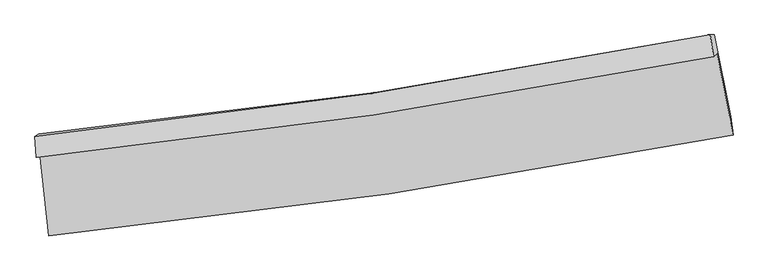
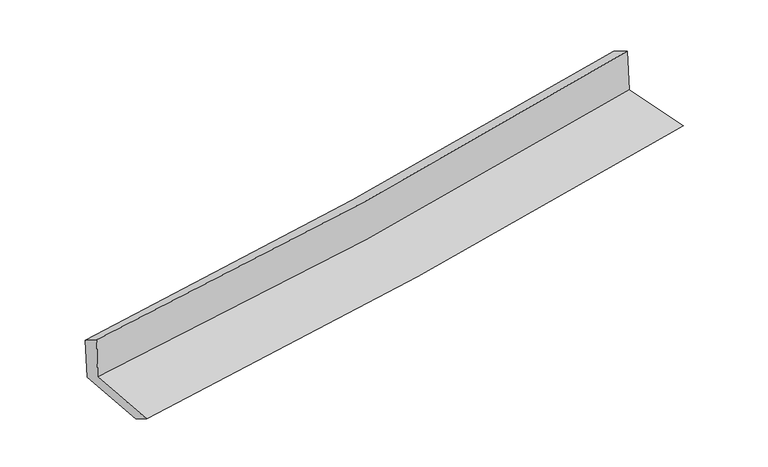
"""IFC4 building model written with IfcOpenShell, lengths in millimetres: proxy geometry."""

from ifc_helpers import new_model, si_unit, frame, origin, place, context, project, spatial, source, transform, mapped, element, save
from ifc_brep_helpers import plane_surface, spline_curve, spline_surface, advanced_brep


def generic_models_df8eece1(model_context):
    return source(origin(), model_context, "Body", "AdvancedBrep", [
        advanced_brep(
        [(-2773.9610975, -1878.3580066, 1656.3863933), (-2699.9349048, -2555.8247555, 1622.5903161), (2865.7471375, -1734.0758921, 2114.4933387), (2736.2944355, -1069.6289923, 2117.3404396), (-2803.3124139, -1915.2595267, 2061.7975533), (2706.4120217, -1093.7624366, 2530.2088525), (-2812.8623326, -1743.2092382, 1957.5395373), (2680.3775536, -916.7263724, 2429.9813086), (-2782.2499605, -1725.6295158, 1561.5364926), (2714.4357028, -917.1737033, 2024.3307873), (-2709.2217815, -2393.9627256, 1528.1960507), (2845.071603, -1583.5665894, 2011.8739722)],
        [
            (0, 1),
            (1, 2, spline_curve(3, [(-2699.9349048, -2555.8247555, 1622.5903161), (-1775.137225345, -2462.810111128, 1705.493297887), (-853.013652473, -2348.619093054, 1787.58109546), (1002.310087614, -2075.466141204, 1951.578154195), (1935.413862042, -1915.740871748, 2033.45803098), (2865.7471375, -1734.0758921, 2114.4933387)], [4, 2, 4], [0.0, 9.13728009295859, 18.43778618502341])),
            (2, 3),
            (3, 0, spline_curve(3, [(2736.2944355, -1069.6289923, 2117.3404396), (1817.434416266, -1252.4333878, 2032.704287798), (894.717502344, -1411.619039383, 1951.664875285), (-942.168532684, -1680.373623536, 1798.138666053), (-1856.203463316, -1790.7643104, 1725.526729494), (-2773.9610975, -1878.3580066, 1656.3863933)], [4, 2, 4], [0.0, 9.300506092064818, 18.43778618502341])),
            (4, 0),
            (3, 5),
            (5, 4, spline_curve(3, [(2706.4120217, -1093.7624366, 2530.2088525), (1787.385419108, -1274.297508676, 2441.455358886), (864.630996185, -1433.441471541, 2357.743010998), (-972.073515514, -1706.529586108, 2201.7813051), (-1885.893904475, -1821.217986199, 2129.356553074), (-2803.3124139, -1915.2595267, 2061.7975533)], [4, 2, 4], [0.0, 9.253261666896357, 18.344126485103033])),
            (6, 4),
            (5, 7),
            (7, 6, spline_curve(3, [(2680.3775536, -916.7263724, 2429.9813086), (1763.516467168, -1096.518304196, 2349.522918579), (843.233359315, -1255.716856432, 2269.579559455), (-987.965663228, -1530.49465122, 2112.116888187), (-1898.762517571, -1646.790387131, 2034.579656794), (-2812.8623326, -1743.2092382, 1957.5395373)], [4, 2, 4], [0.0, 9.241860836702914, 18.321524911881355])),
            (8, 6),
            (7, 9),
            (9, 8, spline_curve(3, [(2714.4357028, -917.1737033, 2024.3307873), (1797.163986495, -1095.466803902, 1942.885879029), (876.385126833, -1252.393604839, 1863.271881498), (-955.965449473, -1521.135490101, 1709.070818187), (-1867.415144285, -1633.693959835, 1634.420050988), (-2782.2499605, -1725.6295158, 1561.5364926)], [4, 2, 4], [0.0, 9.229206443842203, 18.296438213635316])),
            (10, 8),
            (9, 11),
            (11, 10, spline_curve(3, [(2845.071603, -1583.5665894, 2011.8739722), (1920.091841271, -1779.900992066, 1921.182895575), (990.607059834, -1945.933155462, 1835.215489392), (-860.980809205, -2215.01091168, 1674.153863668), (-1782.927155813, -2319.110794034, 1598.895296037), (-2709.2217815, -2393.9627256, 1528.1960507)], [4, 2, 4], [0.0, 9.27926479179358, 18.395676374136116])),
            (1, 10),
            (11, 2),
        ],
        [
            spline_surface(3, 3, [[(-2773.9610975, -1878.3580066, 1656.3863933), (-1856.203463337, -1790.764310262, 1725.526729581), (-942.168532728, -1680.373623581, 1798.138665965), (894.717502389, -1411.619039337, 1951.664875375), (1817.434416117, -1252.433387915, 2032.704287755), (2736.2944355, -1069.6289923, 2117.3404396)], [(-2749.285699934, -2104.180256212, 1645.121034228), (-1829.181384022, -2014.779577192, 1718.848919042), (-912.450239251, -1903.122113376, 1794.619475782), (930.581697441, -1632.901406667, 1951.635968323), (1856.760898036, -1473.535882485, 2032.955535485), (2779.44533615, -1291.111292227, 2116.391405941)], [(-2724.610302366, -2330.002505888, 1633.855675172), (-1802.159304705, -2238.794844186, 1712.171108519), (-882.731945828, -2125.870603155, 1791.100285609), (966.445892439, -1854.183773981, 1951.607061282), (1896.087380004, -1694.638377075, 2033.206783292), (2822.59623685, -1512.593592173, 2115.442372359)], [(-2699.9349048, -2555.8247555, 1622.5903161), (-1775.13722539, -2462.810111116, 1705.49329798), (-853.013652351, -2348.61909295, 1787.581095426), (1002.310087491, -2075.46614131, 1951.57815423), (1935.413861922, -1915.740871645, 2033.458031022), (2865.7471375, -1734.0758921, 2114.4933387)]], [4, 4], [4, 2, 4], [0.0, 2.208917269631879], [0.0, 9.13728009295859, 18.43778618502341]),
            spline_surface(3, 3, [[(-2803.3124139, -1915.2595267, 2061.7975533), (-1885.893904601, -1821.217986298, 2129.356553084), (-972.073515586, -1706.529586033, 2201.781305084), (864.630996259, -1433.441471618, 2357.743011015), (1787.385419114, -1274.297508564, 2441.455358764), (2706.4120217, -1093.7624366, 2530.2088525)], [(-2793.528641749, -1902.95902, 1926.660499971), (-1875.997090828, -1811.066760953, 1994.746611921), (-962.10518798, -1697.81093189, 2067.233758707), (874.659831623, -1426.167327532, 2222.383632464), (1797.401751465, -1267.009468373, 2305.205001775), (2716.372826317, -1085.717955192, 2392.586048214)], [(-2783.744869651, -1890.6585133, 1791.523446629), (-1866.100277109, -1800.915535607, 1860.136670745), (-952.136860334, -1689.092277724, 1932.686212342), (884.688667025, -1418.893183423, 2087.024253926), (1807.418083766, -1259.721428106, 2168.954644745), (2726.333630883, -1077.673473708, 2254.963243886)], [(-2773.9610975, -1878.3580066, 1656.3863933), (-1856.203463337, -1790.764310262, 1725.526729581), (-942.168532728, -1680.373623581, 1798.138665965), (894.717502389, -1411.619039337, 1951.664875375), (1817.434416117, -1252.433387915, 2032.704287755), (2736.2944355, -1069.6289923, 2117.3404396)]], [4, 4], [4, 2, 4], [0.0, 1.3343106423327475], [0.0, 9.090864818206676, 18.344126485103033]),
            spline_surface(3, 3, [[(-2812.8623326, -1743.2092382, 1957.5395373), (-1898.762517569, -1646.790387248, 2034.579656889), (-987.965663241, -1530.494651121, 2112.116888197), (843.233359329, -1255.716856532, 2269.579559445), (1763.516467027, -1096.518304048, 2349.522918573), (2680.3775536, -916.7263724, 2429.9813086)], [(-2809.679026364, -1800.559334391, 1992.292209311), (-1894.47297991, -1704.932920289, 2066.171955632), (-982.66828068, -1589.172962736, 2142.005027174), (850.365904982, -1314.958394871, 2298.96737665), (1771.472784371, -1155.778038882, 2380.167065308), (2689.055709615, -975.738393795, 2463.390489904)], [(-2806.495720136, -1857.909430509, 2027.044881289), (-1890.18344226, -1763.075453257, 2097.764254341), (-977.370898148, -1647.851274419, 2171.893166107), (857.498450606, -1374.199933279, 2328.35519381), (1779.42910177, -1215.03777373, 2410.81121203), (2697.733865685, -1034.750415205, 2496.799671196)], [(-2803.3124139, -1915.2595267, 2061.7975533), (-1885.893904601, -1821.217986298, 2129.356553084), (-972.073515586, -1706.529586033, 2201.781305084), (864.630996259, -1433.441471618, 2357.743011015), (1787.385419114, -1274.297508564, 2441.455358764), (2706.4120217, -1093.7624366, 2530.2088525)]], [4, 4], [4, 2, 4], [0.0, 0.6524223931686528], [0.0, 9.07966407517844, 18.321524911881355]),
            spline_surface(3, 3, [[(-2782.2499605, -1725.6295158, 1561.5364926), (-1867.415144334, -1633.693959792, 1634.420051102), (-955.965449581, -1521.135489992, 1709.070818307), (876.385126943, -1252.39360495, 1863.271881376), (1797.163986635, -1095.466803936, 1942.885879018), (2714.4357028, -917.1737033, 2024.3307873)], [(-2792.454084546, -1731.489423236, 1693.537507509), (-1877.864268759, -1638.05943558, 1767.806586374), (-966.632187484, -1524.255210384, 1843.419508245), (865.334537721, -1253.501355493, 1998.70777404), (1785.948146779, -1095.817303957, 2078.43155885), (2703.082986413, -917.024592984, 2159.547627714)], [(-2802.658208554, -1737.349330764, 1825.538522391), (-1888.313393144, -1642.42491146, 1901.193121618), (-977.298925338, -1527.374930729, 1977.768198259), (854.28394855, -1254.609105989, 2134.143666781), (1774.732306883, -1096.167804026, 2213.977238741), (2691.730269987, -916.875482716, 2294.764468186)], [(-2812.8623326, -1743.2092382, 1957.5395373), (-1898.762517569, -1646.790387248, 2034.579656889), (-987.965663241, -1530.494651121, 2112.116888197), (843.233359329, -1255.716856532, 2269.579559445), (1763.516467027, -1096.518304048, 2349.522918573), (2680.3775536, -916.7263724, 2429.9813086)]], [4, 4], [4, 2, 4], [0.0, 1.3322306521311098], [0.0, 9.067231769793112, 18.296438213635316]),
            spline_surface(3, 3, [[(-2709.2217815, -2393.9627256, 1528.1960507), (-1782.927155758, -2319.110793983, 1598.895296057), (-860.980809105, -2215.010911768, 1674.153863622), (990.607059732, -1945.933155372, 1835.215489439), (1920.091841205, -1779.900992171, 1921.182895664), (2845.071603, -1583.5665894, 2011.8739722)], [(-2733.564507818, -2171.184989025, 1539.309531325), (-1811.089818601, -2090.638515944, 1610.736881064), (-892.642355915, -1983.719104493, 1685.792848522), (952.533082151, -1714.753305215, 1844.56762009), (1879.115889671, -1551.756262766, 1928.417223446), (2801.526302923, -1361.435627373, 2016.026243897)], [(-2757.907234182, -1948.407252375, 1550.423011975), (-1839.252481491, -1862.166237831, 1622.578466096), (-924.303902771, -1752.427297267, 1697.431833407), (914.459104524, -1483.573455107, 1853.919750725), (1838.139938169, -1323.611533341, 1935.651551236), (2757.981002877, -1139.304665327, 2020.178515603)], [(-2782.2499605, -1725.6295158, 1561.5364926), (-1867.415144334, -1633.693959792, 1634.420051102), (-955.965449581, -1521.135489992, 1709.070818307), (876.385126943, -1252.39360495, 1863.271881376), (1797.163986635, -1095.466803936, 1942.885879018), (2714.4357028, -917.1737033, 2024.3307873)]], [4, 4], [4, 2, 4], [0.0, 2.3040469691691405], [0.0, 9.116411582342536, 18.395676374136116]),
            spline_surface(3, 3, [[(-2699.9349048, -2555.8247555, 1622.5903161), (-1775.13722539, -2462.810111116, 1705.49329798), (-853.013652351, -2348.61909295, 1787.581095426), (1002.310087491, -2075.46614131, 1951.57815423), (1935.413861922, -1915.740871645, 2033.458031022), (2865.7471375, -1734.0758921, 2114.4933387)], [(-2703.030530389, -2501.870745536, 1591.125560956), (-1777.733868868, -2414.910338741, 1669.960630661), (-855.669371282, -2304.083032566, 1749.772018171), (998.409078224, -2032.288479342, 1912.790599313), (1930.306521699, -1870.460911815, 1996.032985932), (2858.855292682, -1683.906124529, 2080.28688323)], [(-2706.126155911, -2447.916735564, 1559.660805844), (-1780.330512279, -2367.010566358, 1634.427963375), (-858.325090173, -2259.546972151, 1711.962940877), (994.508068998, -1989.110817341, 1874.003044356), (1925.199181428, -1825.180952, 1958.607940753), (2851.963447818, -1633.736356971, 2046.08042767)], [(-2709.2217815, -2393.9627256, 1528.1960507), (-1782.927155758, -2319.110793983, 1598.895296057), (-860.980809105, -2215.010911768, 1674.153863622), (990.607059732, -1945.933155372, 1835.215489439), (1920.091841205, -1779.900992171, 1921.182895664), (2845.071603, -1583.5665894, 2011.8739722)]], [4, 4], [4, 2, 4], [0.0, 0.5739664967796806], [0.0, 9.175293082674296, 18.51449121863311]),
            plane_surface(frame((2758.056409, -1219.1556643, 2204.7047832), z_axis=(0.9783109147031356, 0.1902510681855359, 0.08192853731745108), x_axis=(-0.08366492085971404, 0.0010988826248075313, 0.9964933383994671))),
            plane_surface(frame((-2763.5904151, -2035.3739614, 1731.3410572), z_axis=(-0.9912256952926736, -0.1042569537217299, -0.08125336049801957), x_axis=(-0.10848925843117711, 0.9928629653144322, 0.0495299193628045))),
        ],
        [
            (0, [[1, 2, 3, 4]]),
            (1, [[5, -4, 6, 7]]),
            (2, [[8, -7, 9, 10]]),
            (3, [[11, -10, 12, 13]]),
            (4, [[14, -13, 15, 16]]),
            (5, [[17, -16, 18, -2]]),
            (6, [[-12, -9, -6, -3, -18, -15]]),
            (7, [[-1, -5, -8, -11, -14, -17]]),
        ],
    ),
    ])


if __name__ == "__main__":
    model = new_model("IFC4")
    model_context = context("Model", 3, world=origin())
    ifc_project = project(units=[si_unit("LENGTHUNIT", "METRE", prefix="MILLI")], contexts=[model_context])
    site = spatial("IfcSite", under=ifc_project)
    building = spatial("IfcBuilding", under=site)
    placement = place(None, origin())
    generic_models_shape = generic_models_df8eece1(model_context)
    element("IfcBuildingElementProxy", 1, Name="Generic Models", at=placement, inside=building, context=model_context, shape_type="MappedRepresentation", body=[
        mapped(generic_models_shape, transform((0.0, 0.0, 0.0), x_axis=(1.0, 0.0, 0.0), y_axis=(0.0, 1.0, 0.0), z_axis=(0.0, 0.0, 1.0))),
    ])
    save(model, "model.ifc")
